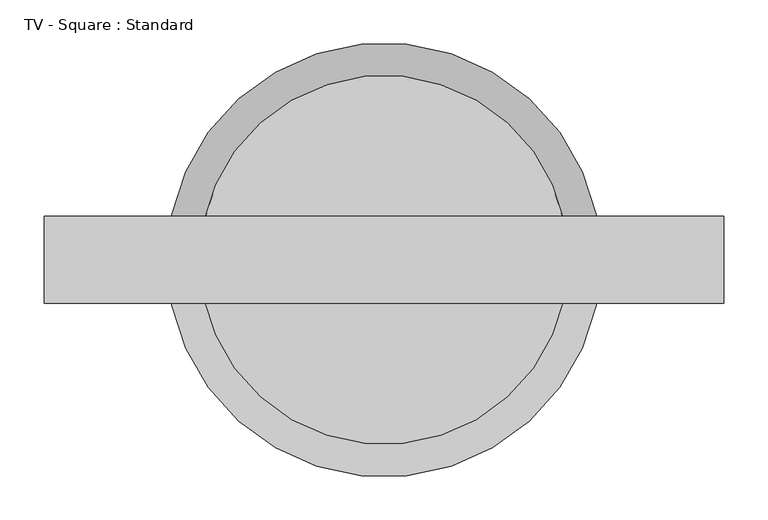
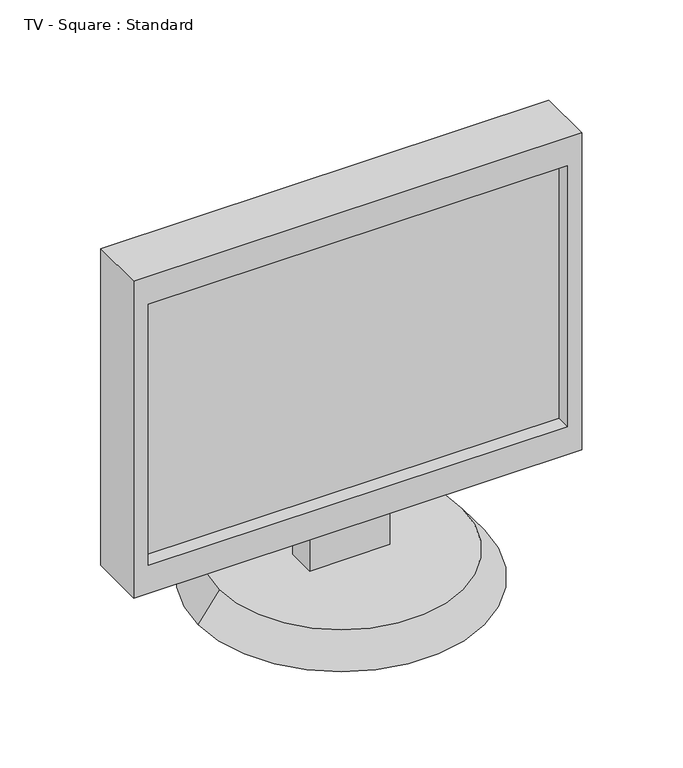
"""IFC4 building model written with IfcOpenShell, lengths in millimetres: proxy geometry, TV - Square : Standard."""

from ifc_helpers import new_model, si_unit, frame, origin, place, context, project, spatial, polyline, circle_curve, source, transform, mapped, element, save
from ifc_brep_helpers import plane_surface, revolved_surface, advanced_brep


def tv_square_standard_3eaea0b3(model_context):
    return source(origin(), model_context, "Body", "AdvancedBrep", [
        advanced_brep(
        [(386.0601563, -49.2720313, 703.5601563), (-386.0601562, -49.2720313, 703.5601563), (-386.0601562, -49.2720313, 127.0), (386.0601563, -49.2720313, 127.0), (-360.6601562, -49.2720313, 177.8), (-360.6601562, -49.2720313, 652.7601563), (360.6601563, -49.2720313, 652.7601563), (360.6601563, -49.2720313, 177.8), (386.0601563, 49.2720312, 703.5601563), (386.0601563, 49.2720312, 127.0), (-386.0601562, 49.2720312, 127.0), (-386.0601562, 49.2720312, 703.5601563), (69.1730313, 25.4, 127.0), (-69.1730313, 25.4, 127.0), (-69.1730313, -25.4, 127.0), (69.1730313, -25.4, 127.0), (69.1730313, 25.4, 50.8), (-69.1730313, 25.4, 50.8), (-69.1730313, -25.4, 50.8), (69.1730313, -25.4, 50.8), (-209.4061328, 0.0, 50.8), (209.4061328, 0.0, 50.8), (-246.3601562, 0.0, 0.0), (246.3601563, 0.0, 0.0), (-360.6601562, -23.8720313, 652.7601563), (-360.6601562, -23.8720313, 177.8), (360.6601563, -23.8720313, 177.8), (360.6601563, -23.8720313, 652.7601563)],
        [
            (0, 1),
            (1, 2),
            (2, 3),
            (3, 0),
            (4, 5),
            (5, 6),
            (6, 7),
            (7, 4),
            (8, 9),
            (9, 10),
            (10, 11),
            (11, 8),
            (0, 8),
            (11, 1),
            (10, 2),
            (9, 3),
            (12, 13),
            (13, 14),
            (14, 15),
            (15, 12),
            (12, 16),
            (16, 17),
            (17, 13),
            (17, 18),
            (18, 14),
            (18, 19),
            (19, 15),
            (19, 16),
            (20, 21, circle_curve(frame((0.0, 0.0, 50.8), z_axis=(0.0, 0.0, 1.0), x_axis=(-1.0, 0.0, 0.0)), 209.4061328)),
            (21, 20, circle_curve(frame((0.0, 0.0, 50.8), z_axis=(0.0, 0.0, 1.0), x_axis=(1.0, 0.0, 0.0)), 209.4061328)),
            (22, 23, circle_curve(frame((0.0, 0.0, 0.0), z_axis=(0.0, 0.0, -1.0), x_axis=(1.0, 0.0, 0.0)), 246.3601562)),
            (23, 22, circle_curve(frame((0.0, 0.0, 0.0), z_axis=(0.0, 0.0, -1.0), x_axis=(-1.0, 0.0, 0.0)), 246.3601562)),
            (20, 22),
            (23, 21),
            (24, 25),
            (25, 26),
            (26, 27),
            (27, 24),
            (24, 5),
            (4, 25),
            (7, 26),
            (6, 27),
        ],
        [
            plane_surface(frame((-386.0601562, -49.2720313, 703.5601563), z_axis=(0.0, -1.0, 0.0), x_axis=(-1.0, 0.0, 0.0))),
            plane_surface(frame((-386.0601562, 49.2720312, 703.5601563), z_axis=(0.0, 1.0, 0.0), x_axis=(1.0, 0.0, 0.0))),
            plane_surface(frame((386.0601563, -49.2720313, 703.5601563), z_axis=(0.0, 0.0, 1.0), x_axis=(0.0, 1.0, 0.0))),
            plane_surface(frame((-386.0601562, -49.2720313, 703.5601563), z_axis=(-1.0, 0.0, 0.0), x_axis=(0.0, 1.0, 0.0))),
            plane_surface(frame((-386.0601562, -49.2720313, 127.0), z_axis=(0.0, 0.0, -1.0), x_axis=(0.0, 1.0, 0.0))),
            plane_surface(frame((386.0601563, -49.2720313, 127.0), z_axis=(1.0, 0.0, 0.0), x_axis=(0.0, 1.0, 0.0))),
            plane_surface(frame((69.1730313, 25.4, 127.0), z_axis=(0.0, 1.0, 0.0), x_axis=(0.0, 0.0, -1.0))),
            plane_surface(frame((-69.1730313, 25.4, 127.0), z_axis=(-1.0, 0.0, 0.0), x_axis=(0.0, 0.0, -1.0))),
            plane_surface(frame((-69.1730313, -25.4, 127.0), z_axis=(0.0, -1.0, 0.0), x_axis=(0.0, 0.0, -1.0))),
            plane_surface(frame((69.1730313, -25.4, 127.0), z_axis=(1.0, 0.0, 0.0), x_axis=(0.0, 0.0, -1.0))),
            plane_surface(frame((0.0, 0.0, 50.8), z_axis=(0.0, 0.0, 1.0), x_axis=(0.0, -1.0, 0.0))),
            plane_surface(frame((0.0, 0.0, 0.0), z_axis=(0.0, 0.0, -1.0), x_axis=(0.0, -1.0, 0.0))),
            revolved_surface(polyline([(-209.4061327736372, 0.0, 50.80000000000001), (-246.3601562, 0.0, 0.0)]), (0.0, 0.0, 338.6666667), (0.0, 0.0, -1.0)),
            revolved_surface(polyline([(209.4061328586372, 0.0, 50.80000000000001), (246.3601563, 0.0, 0.0)]), (0.0, 0.0, 338.6666667), (0.0, 0.0, -1.0)),
            plane_surface(frame((-360.6601562, -23.8720313, 703.5601563), z_axis=(0.0, -1.0, 0.0), x_axis=(0.0, 0.0, 1.0))),
            plane_surface(frame((-360.6601562, -49.2720313, 652.7601563), z_axis=(1.0, 0.0, 0.0), x_axis=(0.0, 1.0, 0.0))),
            plane_surface(frame((-360.6601562, -49.2720313, 177.8), z_axis=(0.0, 0.0, 1.0), x_axis=(0.0, 1.0, 0.0))),
            plane_surface(frame((360.6601563, -49.2720313, 177.8), z_axis=(-1.0, 0.0, 0.0), x_axis=(0.0, 1.0, 0.0))),
            plane_surface(frame((360.6601563, -49.2720313, 652.7601563), z_axis=(0.0, 0.0, -1.0), x_axis=(0.0, 1.0, 0.0))),
        ],
        [
            (0, [[1, 2, 3, 4], [5, 6, 7, 8]]),
            (1, [[9, 10, 11, 12]]),
            (2, [[-1, 13, -12, 14]]),
            (3, [[-2, -14, -11, 15]]),
            (4, [[-3, -15, -10, 16], [17, 18, 19, 20]]),
            (5, [[-4, -16, -9, -13]]),
            (6, [[21, 22, 23, -17]]),
            (7, [[-23, 24, 25, -18]]),
            (8, [[-25, 26, 27, -19]]),
            (9, [[-21, -20, -27, 28]]),
            (10, [[29, 30], [-22, -28, -26, -24]]),
            (11, [[31, 32]]),
            (12, [[-29, 33, -32, 34]]),
            (13, [[-30, -34, -31, -33]]),
            (14, [[35, 36, 37, 38]]),
            (15, [[-35, 39, -5, 40]]),
            (16, [[-36, -40, -8, 41]]),
            (17, [[-37, -41, -7, 42]]),
            (18, [[-38, -42, -6, -39]]),
        ],
    ),
    ])


if __name__ == "__main__":
    model = new_model("IFC4")
    model_context = context("Model", 3, world=origin())
    ifc_project = project(units=[si_unit("LENGTHUNIT", "METRE", prefix="MILLI")], contexts=[model_context])
    site = spatial("IfcSite", under=ifc_project)
    building = spatial("IfcBuilding", under=site)
    placement = place(None, origin())
    tv_square_standard_shape = tv_square_standard_3eaea0b3(model_context)
    element("IfcBuildingElementProxy", 1, Name="TV - Square : Standard", ObjectType="TV - Square : Standard", at=placement, inside=building, context=model_context, shape_type="MappedRepresentation", body=[
        mapped(tv_square_standard_shape, transform((0.0, 0.0, 0.0), x_axis=(1.0, 0.0, 0.0), y_axis=(0.0, 1.0, 0.0), z_axis=(0.0, 0.0, 1.0))),
    ])
    save(model, "model.ifc")
